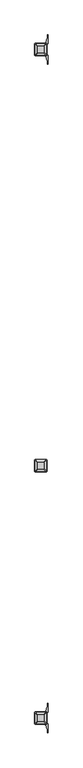
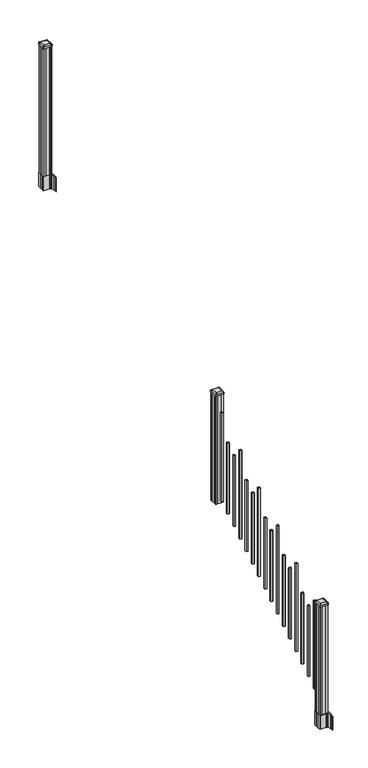
"""IFC4 building model written with IfcOpenShell, lengths in millimetres: railing geometry."""

from ifc_helpers import new_model, si_unit, point, frame, frame_2d, origin, place, context, project, spatial, polyline, circle_curve, trimmed, segment, composite_curve, outline, extrude, source, transform, mapped, element, save
from ifc_brep_helpers import plane_surface, extruded_surface, advanced_brep


def railing_ecae1b8d(model_context):
    return source(origin(), model_context, "Body", "SolidModel", [
        advanced_brep(
        [(8709.4626478, -127566.6027203, 2547.109263), (8712.6376478, -127563.4277203, 2547.109263), (8712.6376478, -127511.8339703, 2547.109263), (8709.4626478, -127508.6589703, 2547.109263), (8657.8688978, -127508.6589703, 2547.109263), (8654.6938978, -127511.8339703, 2547.109263), (8654.6938978, -127563.4277203, 2547.109263), (8657.8688978, -127566.6027203, 2547.109263), (8725.7345228, -127582.8745953, 2535.806263), (8641.5970228, -127582.8745953, 2535.806263), (8638.4220228, -127579.6995953, 2535.806263), (8638.4220228, -127495.5620953, 2535.806263), (8641.5970228, -127492.3870953, 2535.806263), (8725.7345228, -127492.3870953, 2535.806263), (8728.9095228, -127495.5620953, 2535.806263), (8728.9095228, -127579.6995953, 2535.806263)],
        [
            (0, 1, circle_curve(frame((8709.4626478, -127563.4277203, 2547.109263), z_axis=(0.0, 0.0, 1.0), x_axis=(0.0, 1.0, 0.0)), 3.175)),
            (1, 2),
            (2, 3, circle_curve(frame((8709.4626478, -127511.8339703, 2547.109263), z_axis=(0.0, 0.0, 1.0), x_axis=(0.0, 1.0, 0.0)), 3.175)),
            (3, 4),
            (4, 5, circle_curve(frame((8657.8688978, -127511.8339703, 2547.109263), z_axis=(0.0, 0.0, 1.0), x_axis=(0.0, 1.0, 0.0)), 3.175)),
            (5, 6),
            (6, 7, circle_curve(frame((8657.8688978, -127563.4277203, 2547.109263), z_axis=(0.0, 0.0, 1.0), x_axis=(0.0, 1.0, 0.0)), 3.175)),
            (7, 0),
            (8, 9),
            (9, 10, circle_curve(frame((8641.5970228, -127579.6995953, 2535.806263), z_axis=(0.0, 0.0, -1.0), x_axis=(0.0, 1.0, 0.0)), 3.175)),
            (10, 11),
            (11, 12, circle_curve(frame((8641.5970228, -127495.5620953, 2535.806263), z_axis=(0.0, 0.0, -1.0), x_axis=(0.0, 1.0, 0.0)), 3.175)),
            (12, 13),
            (13, 14, circle_curve(frame((8725.7345228, -127495.5620953, 2535.806263), z_axis=(0.0, 0.0, -1.0), x_axis=(0.0, 1.0, 0.0)), 3.175)),
            (14, 15),
            (15, 8, circle_curve(frame((8725.7345228, -127579.6995953, 2535.806263), z_axis=(0.0, 0.0, -1.0), x_axis=(0.0, 1.0, 0.0)), 3.175)),
            (15, 1),
            (0, 8),
            (14, 2),
            (13, 3),
            (12, 4),
            (11, 5),
            (10, 6),
            (9, 7),
        ],
        [
            plane_surface(frame((8683.6657728, -127537.6308453, 2547.109263), z_axis=(0.0, 0.0, 1.0), x_axis=(1.0, 0.0, 0.0))),
            plane_surface(frame((8683.6657728, -127537.6308453, 2535.806263), z_axis=(0.0, 0.0, -1.0), x_axis=(1.0, 0.0, 0.0))),
            extruded_surface(trimmed(circle_curve(frame((8725.7345228, -127579.6995953, 2535.806263), z_axis=(0.0, 0.0, 1.0), x_axis=(0.0, 1.0, 0.0)), 3.175), [point((8725.7345228, -127582.8745953, 2535.806263))], [point((8728.9095228, -127579.6995953, 2535.806263))], True, "CARTESIAN"), (-16.271875000000364, 16.27187500000582, 11.302999999999884), 25.637972638870036),
            plane_surface(frame((8728.9095228, -127537.6308453, 2535.806263), z_axis=(0.5705009161540778, 0.0, 0.8212969649690408), x_axis=(0.0, 1.0, 0.0))),
            extruded_surface(trimmed(circle_curve(frame((8725.7345228, -127495.5620953, 2535.806263), z_axis=(0.0, 0.0, 1.0), x_axis=(0.0, 1.0, 0.0)), 3.175), [point((8728.9095228, -127495.5620953, 2535.806263))], [point((8725.7345228, -127492.3870953, 2535.806263))], True, "CARTESIAN"), (-16.271875000000364, -16.27187499999127, 11.302999999999884), 25.637972638860802),
            plane_surface(frame((8683.6657728, -127492.3870953, 2535.806263), z_axis=(0.0, 0.5705009161540291, 0.8212969649690747), x_axis=(-1.0, 0.0, 0.0))),
            extruded_surface(trimmed(circle_curve(frame((8641.5970228, -127495.5620953, 2535.806263), z_axis=(0.0, 0.0, 1.0), x_axis=(0.0, 1.0, 0.0)), 3.175), [point((8641.5970228, -127492.3870953, 2535.806263))], [point((8638.4220228, -127495.5620953, 2535.806263))], True, "CARTESIAN"), (16.271874999998545, -16.27187499999127, 11.302999999999884), 25.637972638859644),
            plane_surface(frame((8638.4220228, -127537.6308453, 2535.806263), z_axis=(-0.5705009161540142, 0.0, 0.8212969649690851), x_axis=(0.0, -1.0, 0.0))),
            extruded_surface(trimmed(circle_curve(frame((8641.5970228, -127579.6995953, 2535.806263), z_axis=(0.0, 0.0, 1.0), x_axis=(0.0, 1.0, 0.0)), 3.175), [point((8638.4220228, -127579.6995953, 2535.806263))], [point((8641.5970228, -127582.8745953, 2535.806263))], True, "CARTESIAN"), (16.271874999998545, 16.27187500000582, 11.302999999999884), 25.63797263886888),
            plane_surface(frame((8683.6657728, -127582.8745953, 2535.806263), z_axis=(0.0, -0.570500916154034, 0.8212969649690713), x_axis=(1.0, 0.0, 0.0))),
        ],
        [
            (0, [[1, 2, 3, 4, 5, 6, 7, 8]]),
            (1, [[9, 10, 11, 12, 13, 14, 15, 16]]),
            (2, [[-16, 17, -1, 18]]),
            (3, [[-15, 19, -2, -17]]),
            (4, [[-14, 20, -3, -19]]),
            (5, [[-13, 21, -4, -20]]),
            (6, [[-12, 22, -5, -21]]),
            (7, [[-11, 23, -6, -22]]),
            (8, [[-10, 24, -7, -23]]),
            (9, [[-9, -18, -8, -24]]),
        ],
    ),
        extrude(outline(composite_curve([segment(polyline([(8725.7345228, -127582.8745953), (8641.5970228, -127582.8745953)]), True, "CONTINUOUS"), segment(trimmed(circle_curve(frame_2d((8641.5970228, -127579.6995953)), 3.175), [point((8641.5970228, -127582.8745953))], [point((8638.4220228, -127579.6995953))], False, "CARTESIAN"), True, "CONTINUOUS"), segment(polyline([(8638.4220228, -127579.6995953), (8638.4220228, -127495.5620953)]), True, "CONTINUOUS"), segment(trimmed(circle_curve(frame_2d((8641.5970228, -127495.5620953)), 3.175), [point((8638.4220228, -127495.5620953))], [point((8641.5970228, -127492.3870953))], False, "CARTESIAN"), True, "CONTINUOUS"), segment(polyline([(8641.5970228, -127492.3870953), (8725.7345228, -127492.3870953)]), True, "CONTINUOUS"), segment(trimmed(circle_curve(frame_2d((8725.7345228, -127495.5620953)), 3.175), [point((8725.7345228, -127492.3870953))], [point((8728.9095228, -127495.5620953))], False, "CARTESIAN"), True, "CONTINUOUS"), segment(polyline([(8728.9095228, -127495.5620953), (8728.9095228, -127579.6995953)]), True, "CONTINUOUS"), segment(trimmed(circle_curve(frame_2d((8725.7345228, -127579.6995953)), 3.175), [point((8728.9095228, -127579.6995953))], [point((8725.7345228, -127582.8745953))], False, "CARTESIAN"), True, "CONTINUOUS")], self_intersect=False)), frame((0.0, 0.0, 2518.534263), z_axis=(0.0, 0.0, 1.0), x_axis=(1.0, 0.0, 0.0)), (0.0, 0.0, 1.0), 17.272),
        extrude(outline(polyline([(8723.3532728, -127578.9058453), (8703.7317728, -127578.9058453), (8702.9697728, -127577.3183453), (8664.3617728, -127577.3183453), (8663.5997728, -127578.9058453), (8643.9782728, -127578.9058453), (8642.3907728, -127577.3183453), (8642.3907728, -127557.6968453), (8643.9782728, -127556.9348453), (8643.9782728, -127518.3268453), (8642.3907728, -127517.5648453), (8642.3907728, -127497.9433453), (8643.9782728, -127496.3558453), (8663.5997728, -127496.3558453), (8664.3617728, -127497.9433453), (8702.9697728, -127497.9433453), (8703.7317728, -127496.3558453), (8723.3532728, -127496.3558453), (8724.9407728, -127497.9433453), (8724.9407728, -127517.5648453), (8723.3532728, -127518.3268453), (8723.3532728, -127556.9348453), (8724.9407728, -127557.6968453), (8724.9407728, -127577.3183453), (8723.3532728, -127578.9058453)])), frame((0.0, 0.0, 1334.77), z_axis=(0.0, 0.0, 1.0), x_axis=(1.0, 0.0, 0.0)), (0.0, 0.0, 1.0), 1183.764263),
        extrude(outline(polyline([(8674.1407728, -127628.1818453), (8674.1407728, -127609.1318453), (8693.1907728, -127609.1318453), (8693.1907728, -127628.1818453), (8674.1407728, -127628.1818453)]), holes=[polyline([(8674.5376478, -127627.7849703), (8692.7938978, -127627.7849703), (8692.7938978, -127609.5287203), (8674.5376478, -127609.5287203), (8674.5376478, -127627.7849703)])]), frame((0.0, 0.0, 1385.7246281), z_axis=(0.0, 0.0, 1.0), x_axis=(1.0, 0.0, 0.0)), (0.0, 0.0, 1.0), 965.2041219),
        extrude(outline(polyline([(8674.1407728, -127739.4338453), (8674.1407728, -127720.3838453), (8693.1907728, -127720.3838453), (8693.1907728, -127739.4338453), (8674.1407728, -127739.4338453)]), holes=[polyline([(8674.5376478, -127739.0369703), (8692.7938978, -127739.0369703), (8692.7938978, -127720.7807203), (8674.5376478, -127720.7807203), (8674.5376478, -127739.0369703)])]), frame((0.0, 0.0, 1316.1921281), z_axis=(0.0, 0.0, 1.0), x_axis=(1.0, 0.0, 0.0)), (0.0, 0.0, 1.0), 774.7041219),
        extrude(outline(polyline([(8674.1407728, -127850.6858453), (8674.1407728, -127831.6358453), (8693.1907728, -127831.6358453), (8693.1907728, -127850.6858453), (8674.1407728, -127850.6858453)]), holes=[polyline([(8674.5376478, -127850.2889703), (8692.7938978, -127850.2889703), (8692.7938978, -127832.0327203), (8674.5376478, -127832.0327203), (8674.5376478, -127850.2889703)])]), frame((0.0, 0.0, 1246.6596281), z_axis=(0.0, 0.0, 1.0), x_axis=(1.0, 0.0, 0.0)), (0.0, 0.0, 1.0), 774.7041219),
        extrude(outline(polyline([(8674.1407728, -127961.9378453), (8674.1407728, -127942.8878453), (8693.1907728, -127942.8878453), (8693.1907728, -127961.9378453), (8674.1407728, -127961.9378453)]), holes=[polyline([(8674.5376478, -127961.5409703), (8692.7938978, -127961.5409703), (8692.7938978, -127943.2847203), (8674.5376478, -127943.2847203), (8674.5376478, -127961.5409703)])]), frame((0.0, 0.0, 1177.1271281), z_axis=(0.0, 0.0, 1.0), x_axis=(1.0, 0.0, 0.0)), (0.0, 0.0, 1.0), 965.2041219),
        extrude(outline(polyline([(8674.1407728, -128073.1898453), (8674.1407728, -128054.1398453), (8693.1907728, -128054.1398453), (8693.1907728, -128073.1898453), (8674.1407728, -128073.1898453)]), holes=[polyline([(8674.5376478, -128072.7929703), (8692.7938978, -128072.7929703), (8692.7938978, -128054.5367203), (8674.5376478, -128054.5367203), (8674.5376478, -128072.7929703)])]), frame((0.0, 0.0, 1107.5946281), z_axis=(0.0, 0.0, 1.0), x_axis=(1.0, 0.0, 0.0)), (0.0, 0.0, 1.0), 774.7041219),
        extrude(outline(polyline([(8674.1407728, -128184.4418453), (8674.1407728, -128165.3918453), (8693.1907728, -128165.3918453), (8693.1907728, -128184.4418453), (8674.1407728, -128184.4418453)]), holes=[polyline([(8674.5376478, -128184.0449703), (8692.7938978, -128184.0449703), (8692.7938978, -128165.7887203), (8674.5376478, -128165.7887203), (8674.5376478, -128184.0449703)])]), frame((0.0, 0.0, 1038.0621281), z_axis=(0.0, 0.0, 1.0), x_axis=(1.0, 0.0, 0.0)), (0.0, 0.0, 1.0), 774.7041219),
        extrude(outline(polyline([(8674.1407728, -128295.6938453), (8674.1407728, -128276.6438453), (8693.1907728, -128276.6438453), (8693.1907728, -128295.6938453), (8674.1407728, -128295.6938453)]), holes=[polyline([(8674.5376478, -128295.2969703), (8692.7938978, -128295.2969703), (8692.7938978, -128277.0407203), (8674.5376478, -128277.0407203), (8674.5376478, -128295.2969703)])]), frame((0.0, 0.0, 968.5296281), z_axis=(0.0, 0.0, 1.0), x_axis=(1.0, 0.0, 0.0)), (0.0, 0.0, 1.0), 965.2041219),
        extrude(outline(polyline([(8674.1407728, -128406.9458453), (8674.1407728, -128387.8958453), (8693.1907728, -128387.8958453), (8693.1907728, -128406.9458453), (8674.1407728, -128406.9458453)]), holes=[polyline([(8674.5376478, -128406.5489703), (8692.7938978, -128406.5489703), (8692.7938978, -128388.2927203), (8674.5376478, -128388.2927203), (8674.5376478, -128406.5489703)])]), frame((0.0, 0.0, 898.9971281), z_axis=(0.0, 0.0, 1.0), x_axis=(1.0, 0.0, 0.0)), (0.0, 0.0, 1.0), 774.7041219),
        extrude(outline(polyline([(8674.1407728, -128518.1978453), (8674.1407728, -128499.1478453), (8693.1907728, -128499.1478453), (8693.1907728, -128518.1978453), (8674.1407728, -128518.1978453)]), holes=[polyline([(8674.5376478, -128517.8009703), (8692.7938978, -128517.8009703), (8692.7938978, -128499.5447203), (8674.5376478, -128499.5447203), (8674.5376478, -128517.8009703)])]), frame((0.0, 0.0, 829.4646281), z_axis=(0.0, 0.0, 1.0), x_axis=(1.0, 0.0, 0.0)), (0.0, 0.0, 1.0), 774.7041219),
        extrude(outline(polyline([(8674.1407728, -128629.4498453), (8674.1407728, -128610.3998453), (8693.1907728, -128610.3998453), (8693.1907728, -128629.4498453), (8674.1407728, -128629.4498453)]), holes=[polyline([(8674.5376478, -128629.0529703), (8692.7938978, -128629.0529703), (8692.7938978, -128610.7967203), (8674.5376478, -128610.7967203), (8674.5376478, -128629.0529703)])]), frame((0.0, 0.0, 759.9321281), z_axis=(0.0, 0.0, 1.0), x_axis=(1.0, 0.0, 0.0)), (0.0, 0.0, 1.0), 965.2041219),
        extrude(outline(polyline([(8674.1407728, -128740.7018453), (8674.1407728, -128721.6518453), (8693.1907728, -128721.6518453), (8693.1907728, -128740.7018453), (8674.1407728, -128740.7018453)]), holes=[polyline([(8674.5376478, -128740.3049703), (8692.7938978, -128740.3049703), (8692.7938978, -128722.0487203), (8674.5376478, -128722.0487203), (8674.5376478, -128740.3049703)])]), frame((0.0, 0.0, 690.3996281), z_axis=(0.0, 0.0, 1.0), x_axis=(1.0, 0.0, 0.0)), (0.0, 0.0, 1.0), 774.7041219),
        extrude(outline(polyline([(8674.1407728, -128851.9538453), (8674.1407728, -128832.9038453), (8693.1907728, -128832.9038453), (8693.1907728, -128851.9538453), (8674.1407728, -128851.9538453)]), holes=[polyline([(8674.5376478, -128851.5569703), (8692.7938978, -128851.5569703), (8692.7938978, -128833.3007203), (8674.5376478, -128833.3007203), (8674.5376478, -128851.5569703)])]), frame((0.0, 0.0, 620.8671281), z_axis=(0.0, 0.0, 1.0), x_axis=(1.0, 0.0, 0.0)), (0.0, 0.0, 1.0), 774.7041219),
        extrude(outline(polyline([(8674.1407728, -128963.2058453), (8674.1407728, -128944.1558453), (8693.1907728, -128944.1558453), (8693.1907728, -128963.2058453), (8674.1407728, -128963.2058453)]), holes=[polyline([(8674.5376478, -128962.8089703), (8692.7938978, -128962.8089703), (8692.7938978, -128944.5527203), (8674.5376478, -128944.5527203), (8674.5376478, -128962.8089703)])]), frame((0.0, 0.0, 551.3346281), z_axis=(0.0, 0.0, 1.0), x_axis=(1.0, 0.0, 0.0)), (0.0, 0.0, 1.0), 965.2041219),
        extrude(outline(polyline([(8674.1407728, -129074.4578453), (8674.1407728, -129055.4078453), (8693.1907728, -129055.4078453), (8693.1907728, -129074.4578453), (8674.1407728, -129074.4578453)]), holes=[polyline([(8674.5376478, -129074.0609703), (8692.7938978, -129074.0609703), (8692.7938978, -129055.8047203), (8674.5376478, -129055.8047203), (8674.5376478, -129074.0609703)])]), frame((0.0, 0.0, 481.8021281), z_axis=(0.0, 0.0, 1.0), x_axis=(1.0, 0.0, 0.0)), (0.0, 0.0, 1.0), 774.7041219),
        extrude(outline(polyline([(8674.1407728, -129185.7098453), (8674.1407728, -129166.6598453), (8693.1907728, -129166.6598453), (8693.1907728, -129185.7098453), (8674.1407728, -129185.7098453)]), holes=[polyline([(8674.5376478, -129185.3129703), (8692.7938978, -129185.3129703), (8692.7938978, -129167.0567203), (8674.5376478, -129167.0567203), (8674.5376478, -129185.3129703)])]), frame((0.0, 0.0, 412.2696281), z_axis=(0.0, 0.0, 1.0), x_axis=(1.0, 0.0, 0.0)), (0.0, 0.0, 1.0), 774.7041219),
        extrude(outline(polyline([(8674.1407728, -129296.9618453), (8674.1407728, -129277.9118453), (8693.1907728, -129277.9118453), (8693.1907728, -129296.9618453), (8674.1407728, -129296.9618453)]), holes=[polyline([(8674.5376478, -129296.5649703), (8692.7938978, -129296.5649703), (8692.7938978, -129278.3087203), (8674.5376478, -129278.3087203), (8674.5376478, -129296.5649703)])]), frame((0.0, 0.0, 342.7371281), z_axis=(0.0, 0.0, 1.0), x_axis=(1.0, 0.0, 0.0)), (0.0, 0.0, 1.0), 965.2041219),
        extrude(outline(polyline([(8723.3532728, -124491.5358453), (8703.7317728, -124491.5358453), (8702.9697728, -124489.9483453), (8664.3617728, -124489.9483453), (8663.5997728, -124491.5358453), (8643.9782728, -124491.5358453), (8642.3907728, -124489.9483453), (8642.3907728, -124470.3268453), (8643.9782728, -124469.5648453), (8643.9782728, -124430.9568453), (8642.3907728, -124430.1948453), (8642.3907728, -124410.5733453), (8643.9782728, -124408.9858453), (8663.5997728, -124408.9858453), (8664.3617728, -124410.5733453), (8702.9697728, -124410.5733453), (8703.7317728, -124408.9858453), (8723.3532728, -124408.9858453), (8724.9407728, -124410.5733453), (8724.9407728, -124430.1948453), (8723.3532728, -124430.9568453), (8723.3532728, -124469.5648453), (8724.9407728, -124470.3268453), (8724.9407728, -124489.9483453), (8723.3532728, -124491.5358453)])), frame((0.0, 0.0, 3048.0), z_axis=(0.0, 0.0, 1.0), x_axis=(1.0, 0.0, 0.0)), (0.0, 0.0, 1.0), 1400.140513),
        extrude(outline(composite_curve([segment(polyline([(8640.9302728, -124467.6469401), (8640.9302728, -124432.8747504), (8639.3427728, -124432.1127504), (8639.3427728, -124409.3108224), (8642.7157498, -124405.9378453), (8704.1754206, -124405.9378453), (8704.1754206, -124405.0170953), (8709.4929645, -124405.0170953), (8709.4929645, -124403.5628406), (8714.5774942, -124403.5628406), (8714.5774942, -124402.2788168), (8716.2447665, -124402.2788168)]), True, "CONTINUOUS"), segment(trimmed(circle_curve(frame_2d((8716.2447665, -124395.2193569)), 7.0594599), [point((8716.2447665, -124402.2788168))], [point((8723.0120293, -124397.2293636))], True, "CARTESIAN"), True, "CONTINUOUS"), segment(polyline([(8723.0120293, -124397.2293636), (8730.8862236, -124370.7186345)]), True, "CONTINUOUS"), segment(trimmed(circle_curve(frame_2d((8676.1017103, -124354.4465848)), 57.15), [point((8730.8862236, -124370.7186345))], [point((8733.2517103, -124354.4465848))], True, "CARTESIAN"), True, "CONTINUOUS"), segment(polyline([(8733.2517103, -124354.4465848), (8733.2517103, -124342.4378453), (8736.2517103, -124342.4378453), (8736.2517103, -124407.5253453), (8727.9887728, -124418.8636366), (8727.9887728, -124432.1127504), (8726.4012728, -124432.8747504), (8726.4012728, -124467.6469401), (8727.9887728, -124468.4089401), (8727.9887728, -124481.658054), (8736.2517103, -124492.9963453), (8736.2517103, -124558.0838453), (8733.2517103, -124558.0838453), (8733.2517103, -124546.0751057)]), True, "CONTINUOUS"), segment(trimmed(circle_curve(frame_2d((8676.1017103, -124546.0751057)), 57.15), [point((8733.2517103, -124546.0751057))], [point((8730.8862236, -124529.8030561))], True, "CARTESIAN"), True, "CONTINUOUS"), segment(polyline([(8730.8862236, -124529.8030561), (8723.0120293, -124503.292327)]), True, "CONTINUOUS"), segment(trimmed(circle_curve(frame_2d((8716.2447665, -124505.3023337)), 7.0594599), [point((8723.0120293, -124503.292327))], [point((8716.2447665, -124498.2428738))], True, "CARTESIAN"), True, "CONTINUOUS"), segment(polyline([(8716.2447665, -124498.2428738), (8714.5774942, -124498.2428738), (8714.5774942, -124496.95885), (8709.4929645, -124496.95885), (8709.4929645, -124495.5045953), (8704.1754206, -124495.5045953), (8704.1754206, -124494.5838453), (8642.7157498, -124494.5838453), (8639.3427728, -124491.2108682), (8639.3427728, -124468.4089401), (8640.9302728, -124467.6469401)]), True, "CONTINUOUS")], self_intersect=False), holes=[polyline([(8724.9407728, -124410.5733453), (8723.3532728, -124408.9858453), (8686.4289902, -124408.9858453), (8643.9782728, -124408.9858453), (8642.3907728, -124410.5733453), (8642.3907728, -124489.9483453), (8643.9782728, -124491.5358453), (8686.4289902, -124491.5358453), (8723.3532728, -124491.5358453), (8724.9407728, -124489.9483453), (8724.9407728, -124410.5733453)])]), frame((0.0, 0.0, 2895.6), z_axis=(0.0, 0.0, 1.0), x_axis=(1.0, 0.0, 0.0)), (0.0, 0.0, 1.0), 152.4),
        advanced_brep(
        [(8709.4626478, -124479.2327203, 4476.715513), (8712.6376478, -124476.0577203, 4476.715513), (8712.6376478, -124424.4639703, 4476.715513), (8709.4626478, -124421.2889703, 4476.715513), (8657.8688978, -124421.2889703, 4476.715513), (8654.6938978, -124424.4639703, 4476.715513), (8654.6938978, -124476.0577203, 4476.715513), (8657.8688978, -124479.2327203, 4476.715513), (8725.7345228, -124495.5045953, 4465.412513), (8641.5970228, -124495.5045953, 4465.412513), (8638.4220228, -124492.3295953, 4465.412513), (8638.4220228, -124408.1920953, 4465.412513), (8641.5970228, -124405.0170953, 4465.412513), (8725.7345228, -124405.0170953, 4465.412513), (8728.9095228, -124408.1920953, 4465.412513), (8728.9095228, -124492.3295953, 4465.412513)],
        [
            (0, 1, circle_curve(frame((8709.4626478, -124476.0577203, 4476.715513), z_axis=(0.0, 0.0, 1.0), x_axis=(0.0, 1.0, 0.0)), 3.175)),
            (1, 2),
            (2, 3, circle_curve(frame((8709.4626478, -124424.4639703, 4476.715513), z_axis=(0.0, 0.0, 1.0), x_axis=(0.0, 1.0, 0.0)), 3.175)),
            (3, 4),
            (4, 5, circle_curve(frame((8657.8688978, -124424.4639703, 4476.715513), z_axis=(0.0, 0.0, 1.0), x_axis=(0.0, 1.0, 0.0)), 3.175)),
            (5, 6),
            (6, 7, circle_curve(frame((8657.8688978, -124476.0577203, 4476.715513), z_axis=(0.0, 0.0, 1.0), x_axis=(0.0, 1.0, 0.0)), 3.175)),
            (7, 0),
            (8, 9),
            (9, 10, circle_curve(frame((8641.5970228, -124492.3295953, 4465.412513), z_axis=(0.0, 0.0, -1.0), x_axis=(0.0, 1.0, 0.0)), 3.175)),
            (10, 11),
            (11, 12, circle_curve(frame((8641.5970228, -124408.1920953, 4465.412513), z_axis=(0.0, 0.0, -1.0), x_axis=(0.0, 1.0, 0.0)), 3.175)),
            (12, 13),
            (13, 14, circle_curve(frame((8725.7345228, -124408.1920953, 4465.412513), z_axis=(0.0, 0.0, -1.0), x_axis=(0.0, 1.0, 0.0)), 3.175)),
            (14, 15),
            (15, 8, circle_curve(frame((8725.7345228, -124492.3295953, 4465.412513), z_axis=(0.0, 0.0, -1.0), x_axis=(0.0, 1.0, 0.0)), 3.175)),
            (15, 1),
            (0, 8),
            (14, 2),
            (13, 3),
            (12, 4),
            (11, 5),
            (10, 6),
            (9, 7),
        ],
        [
            plane_surface(frame((8683.6657728, -124450.2608453, 4476.715513), z_axis=(0.0, 0.0, 1.0), x_axis=(1.0, 0.0, 0.0))),
            plane_surface(frame((8683.6657728, -124450.2608453, 4465.412513), z_axis=(0.0, 0.0, -1.0), x_axis=(1.0, 0.0, 0.0))),
            extruded_surface(trimmed(circle_curve(frame((8725.7345228, -124492.3295953, 4465.412513), z_axis=(0.0, 0.0, 1.0), x_axis=(0.0, 1.0, 0.0)), 3.175), [point((8725.7345228, -124495.5045953, 4465.412513))], [point((8728.9095228, -124492.3295953, 4465.412513))], True, "CARTESIAN"), (-16.271875000000364, 16.27187500000582, 11.302999999999884), 25.637972638870036),
            plane_surface(frame((8728.9095228, -124450.2608453, 4465.412513), z_axis=(0.5705009161540685, 0.0, 0.8212969649690474), x_axis=(0.0, 1.0, 0.0))),
            extruded_surface(trimmed(circle_curve(frame((8725.7345228, -124408.1920953, 4465.412513), z_axis=(0.0, 0.0, 1.0), x_axis=(0.0, 1.0, 0.0)), 3.175), [point((8728.9095228, -124408.1920953, 4465.412513))], [point((8725.7345228, -124405.0170953, 4465.412513))], True, "CARTESIAN"), (-16.271875000000364, -16.27187500000582, 11.302999999999884), 25.637972638870036),
            plane_surface(frame((8683.6657728, -124405.0170953, 4465.412513), z_axis=(0.0, 0.5705009161540291, 0.8212969649690747), x_axis=(-1.0, 0.0, 0.0))),
            extruded_surface(trimmed(circle_curve(frame((8641.5970228, -124408.1920953, 4465.412513), z_axis=(0.0, 0.0, 1.0), x_axis=(0.0, 1.0, 0.0)), 3.175), [point((8641.5970228, -124405.0170953, 4465.412513))], [point((8638.4220228, -124408.1920953, 4465.412513))], True, "CARTESIAN"), (16.271874999998545, -16.27187500000582, 11.302999999999884), 25.63797263886888),
            plane_surface(frame((8638.4220228, -124450.2608453, 4465.412513), z_axis=(-0.5705009161540235, 0.0, 0.8212969649690786), x_axis=(0.0, -1.0, 0.0))),
            extruded_surface(trimmed(circle_curve(frame((8641.5970228, -124492.3295953, 4465.412513), z_axis=(0.0, 0.0, 1.0), x_axis=(0.0, 1.0, 0.0)), 3.175), [point((8638.4220228, -124492.3295953, 4465.412513))], [point((8641.5970228, -124495.5045953, 4465.412513))], True, "CARTESIAN"), (16.271874999998545, 16.27187500000582, 11.302999999999884), 25.63797263886888),
            plane_surface(frame((8683.6657728, -124495.5045953, 4465.412513), z_axis=(0.0, -0.570500916154034, 0.8212969649690713), x_axis=(1.0, 0.0, 0.0))),
        ],
        [
            (0, [[1, 2, 3, 4, 5, 6, 7, 8]]),
            (1, [[9, 10, 11, 12, 13, 14, 15, 16]]),
            (2, [[-16, 17, -1, 18]]),
            (3, [[-15, 19, -2, -17]]),
            (4, [[-14, 20, -3, -19]]),
            (5, [[-13, 21, -4, -20]]),
            (6, [[-12, 22, -5, -21]]),
            (7, [[-11, 23, -6, -22]]),
            (8, [[-10, 24, -7, -23]]),
            (9, [[-9, -18, -8, -24]]),
        ],
    ),
        extrude(outline(composite_curve([segment(polyline([(8725.7345228, -124495.5045953), (8641.5970228, -124495.5045953)]), True, "CONTINUOUS"), segment(trimmed(circle_curve(frame_2d((8641.5970228, -124492.3295953)), 3.175), [point((8641.5970228, -124495.5045953))], [point((8638.4220228, -124492.3295953))], False, "CARTESIAN"), True, "CONTINUOUS"), segment(polyline([(8638.4220228, -124492.3295953), (8638.4220228, -124408.1920953)]), True, "CONTINUOUS"), segment(trimmed(circle_curve(frame_2d((8641.5970228, -124408.1920953)), 3.175), [point((8638.4220228, -124408.1920953))], [point((8641.5970228, -124405.0170953))], False, "CARTESIAN"), True, "CONTINUOUS"), segment(polyline([(8641.5970228, -124405.0170953), (8725.7345228, -124405.0170953)]), True, "CONTINUOUS"), segment(trimmed(circle_curve(frame_2d((8725.7345228, -124408.1920953)), 3.175), [point((8725.7345228, -124405.0170953))], [point((8728.9095228, -124408.1920953))], False, "CARTESIAN"), True, "CONTINUOUS"), segment(polyline([(8728.9095228, -124408.1920953), (8728.9095228, -124492.3295953)]), True, "CONTINUOUS"), segment(trimmed(circle_curve(frame_2d((8725.7345228, -124492.3295953)), 3.175), [point((8728.9095228, -124492.3295953))], [point((8725.7345228, -124495.5045953))], False, "CARTESIAN"), True, "CONTINUOUS")], self_intersect=False)), frame((0.0, 0.0, 4448.140513), z_axis=(0.0, 0.0, 1.0), x_axis=(1.0, 0.0, 0.0)), (0.0, 0.0, 1.0), 17.272),
        extrude(outline(composite_curve([segment(polyline([(8640.9302728, -129427.2509401), (8640.9302728, -129392.4787504), (8639.3427728, -129391.7167504), (8639.3427728, -129368.9148224), (8642.7157498, -129365.5418453), (8704.1754206, -129365.5418453), (8704.1754206, -129364.6210953), (8709.4929645, -129364.6210953), (8709.4929645, -129363.1668406), (8714.5774942, -129363.1668406), (8714.5774942, -129361.8828168), (8716.2447665, -129361.8828168)]), True, "CONTINUOUS"), segment(trimmed(circle_curve(frame_2d((8716.2447665, -129354.8233569)), 7.0594599), [point((8716.2447665, -129361.8828168))], [point((8723.0120293, -129356.8333636))], True, "CARTESIAN"), True, "CONTINUOUS"), segment(polyline([(8723.0120293, -129356.8333636), (8730.8862236, -129330.3226345)]), True, "CONTINUOUS"), segment(trimmed(circle_curve(frame_2d((8676.1017103, -129314.0505848)), 57.15), [point((8730.8862236, -129330.3226345))], [point((8733.2517103, -129314.0505848))], True, "CARTESIAN"), True, "CONTINUOUS"), segment(polyline([(8733.2517103, -129314.0505848), (8733.2517103, -129302.0418453), (8736.2517103, -129302.0418453), (8736.2517103, -129367.1293453), (8727.9887728, -129378.4676366), (8727.9887728, -129391.7167504), (8726.4012728, -129392.4787504), (8726.4012728, -129427.2509401), (8727.9887728, -129428.0129401), (8727.9887728, -129441.262054), (8736.2517103, -129452.6003453), (8736.2517103, -129517.6878453), (8733.2517103, -129517.6878453), (8733.2517103, -129505.6791057)]), True, "CONTINUOUS"), segment(trimmed(circle_curve(frame_2d((8676.1017103, -129505.6791057)), 57.15), [point((8733.2517103, -129505.6791057))], [point((8730.8862236, -129489.4070561))], True, "CARTESIAN"), True, "CONTINUOUS"), segment(polyline([(8730.8862236, -129489.4070561), (8723.0120293, -129462.896327)]), True, "CONTINUOUS"), segment(trimmed(circle_curve(frame_2d((8716.2447665, -129464.9063337)), 7.0594599), [point((8723.0120293, -129462.896327))], [point((8716.2447665, -129457.8468738))], True, "CARTESIAN"), True, "CONTINUOUS"), segment(polyline([(8716.2447665, -129457.8468738), (8714.5774942, -129457.8468738), (8714.5774942, -129456.56285), (8709.4929645, -129456.56285), (8709.4929645, -129455.1085953), (8704.1754206, -129455.1085953), (8704.1754206, -129454.1878453), (8642.7157498, -129454.1878453), (8639.3427728, -129450.8148682), (8639.3427728, -129428.0129401), (8640.9302728, -129427.2509401)]), True, "CONTINUOUS")], self_intersect=False), holes=[polyline([(8724.9407728, -129370.1773453), (8723.3532728, -129368.5898453), (8686.4289902, -129368.5898453), (8643.9782728, -129368.5898453), (8642.3907728, -129370.1773453), (8642.3907728, -129449.5523453), (8643.9782728, -129451.1398453), (8686.4289902, -129451.1398453), (8723.3532728, -129451.1398453), (8724.9407728, -129449.5523453), (8724.9407728, -129370.1773453)])]), frame((0.0, 0.0, 12.22375), z_axis=(0.0, 0.0, 1.0), x_axis=(1.0, 0.0, 0.0)), (0.0, 0.0, 1.0), 152.4),
        advanced_brep(
        [(8709.4626478, -129438.8367203, 1376.963013), (8712.6376478, -129435.6617203, 1376.963013), (8712.6376478, -129384.0679703, 1376.963013), (8709.4626478, -129380.8929703, 1376.963013), (8657.8688978, -129380.8929703, 1376.963013), (8654.6938978, -129384.0679703, 1376.963013), (8654.6938978, -129435.6617203, 1376.963013), (8657.8688978, -129438.8367203, 1376.963013), (8725.7345228, -129455.1085953, 1365.660013), (8641.5970228, -129455.1085953, 1365.660013), (8638.4220228, -129451.9335953, 1365.660013), (8638.4220228, -129367.7960953, 1365.660013), (8641.5970228, -129364.6210953, 1365.660013), (8725.7345228, -129364.6210953, 1365.660013), (8728.9095228, -129367.7960953, 1365.660013), (8728.9095228, -129451.9335953, 1365.660013)],
        [
            (0, 1, circle_curve(frame((8709.4626478, -129435.6617203, 1376.963013), z_axis=(0.0, 0.0, 1.0), x_axis=(0.0, 1.0, 0.0)), 3.175)),
            (1, 2),
            (2, 3, circle_curve(frame((8709.4626478, -129384.0679703, 1376.963013), z_axis=(0.0, 0.0, 1.0), x_axis=(0.0, 1.0, 0.0)), 3.175)),
            (3, 4),
            (4, 5, circle_curve(frame((8657.8688978, -129384.0679703, 1376.963013), z_axis=(0.0, 0.0, 1.0), x_axis=(0.0, 1.0, 0.0)), 3.175)),
            (5, 6),
            (6, 7, circle_curve(frame((8657.8688978, -129435.6617203, 1376.963013), z_axis=(0.0, 0.0, 1.0), x_axis=(0.0, 1.0, 0.0)), 3.175)),
            (7, 0),
            (8, 9),
            (9, 10, circle_curve(frame((8641.5970228, -129451.9335953, 1365.660013), z_axis=(0.0, 0.0, -1.0), x_axis=(0.0, 1.0, 0.0)), 3.175)),
            (10, 11),
            (11, 12, circle_curve(frame((8641.5970228, -129367.7960953, 1365.660013), z_axis=(0.0, 0.0, -1.0), x_axis=(0.0, 1.0, 0.0)), 3.175)),
            (12, 13),
            (13, 14, circle_curve(frame((8725.7345228, -129367.7960953, 1365.660013), z_axis=(0.0, 0.0, -1.0), x_axis=(0.0, 1.0, 0.0)), 3.175)),
            (14, 15),
            (15, 8, circle_curve(frame((8725.7345228, -129451.9335953, 1365.660013), z_axis=(0.0, 0.0, -1.0), x_axis=(0.0, 1.0, 0.0)), 3.175)),
            (15, 1),
            (0, 8),
            (14, 2),
            (13, 3),
            (12, 4),
            (11, 5),
            (10, 6),
            (9, 7),
        ],
        [
            plane_surface(frame((8683.6657728, -129409.8648453, 1376.963013), z_axis=(0.0, 0.0, 1.0), x_axis=(1.0, 0.0, 0.0))),
            plane_surface(frame((8683.6657728, -129409.8648453, 1365.660013), z_axis=(0.0, 0.0, -1.0), x_axis=(1.0, 0.0, 0.0))),
            extruded_surface(trimmed(circle_curve(frame((8725.7345228, -129451.9335953, 1365.660013), z_axis=(0.0, 0.0, 1.0), x_axis=(0.0, 1.0, 0.0)), 3.175), [point((8725.7345228, -129455.1085953, 1365.660013))], [point((8728.9095228, -129451.9335953, 1365.660013))], True, "CARTESIAN"), (-16.271875000000364, 16.27187499999127, 11.303000000000111), 25.6379726388609),
            plane_surface(frame((8728.9095228, -129409.8648453, 1365.660013), z_axis=(0.5705009161540778, 0.0, 0.8212969649690408), x_axis=(0.0, 1.0, 0.0))),
            extruded_surface(trimmed(circle_curve(frame((8725.7345228, -129367.7960953, 1365.660013), z_axis=(0.0, 0.0, 1.0), x_axis=(0.0, 1.0, 0.0)), 3.175), [point((8728.9095228, -129367.7960953, 1365.660013))], [point((8725.7345228, -129364.6210953, 1365.660013))], True, "CARTESIAN"), (-16.271875000000364, -16.27187500000582, 11.303000000000111), 25.63797263887014),
            plane_surface(frame((8683.6657728, -129364.6210953, 1365.660013), z_axis=(0.0, 0.5705009161540291, 0.8212969649690747), x_axis=(-1.0, 0.0, 0.0))),
            extruded_surface(trimmed(circle_curve(frame((8641.5970228, -129367.7960953, 1365.660013), z_axis=(0.0, 0.0, 1.0), x_axis=(0.0, 1.0, 0.0)), 3.175), [point((8641.5970228, -129364.6210953, 1365.660013))], [point((8638.4220228, -129367.7960953, 1365.660013))], True, "CARTESIAN"), (16.271874999998545, -16.27187500000582, 11.303000000000111), 25.63797263886898),
            plane_surface(frame((8638.4220228, -129409.8648453, 1365.660013), z_axis=(-0.5705009161540142, 0.0, 0.8212969649690851), x_axis=(0.0, -1.0, 0.0))),
            extruded_surface(trimmed(circle_curve(frame((8641.5970228, -129451.9335953, 1365.660013), z_axis=(0.0, 0.0, 1.0), x_axis=(0.0, 1.0, 0.0)), 3.175), [point((8638.4220228, -129451.9335953, 1365.660013))], [point((8641.5970228, -129455.1085953, 1365.660013))], True, "CARTESIAN"), (16.271874999998545, 16.27187499999127, 11.303000000000111), 25.637972638859747),
            plane_surface(frame((8683.6657728, -129455.1085953, 1365.660013), z_axis=(0.0, -0.570500916154034, 0.8212969649690713), x_axis=(1.0, 0.0, 0.0))),
        ],
        [
            (0, [[1, 2, 3, 4, 5, 6, 7, 8]]),
            (1, [[9, 10, 11, 12, 13, 14, 15, 16]]),
            (2, [[-16, 17, -1, 18]]),
            (3, [[-15, 19, -2, -17]]),
            (4, [[-14, 20, -3, -19]]),
            (5, [[-13, 21, -4, -20]]),
            (6, [[-12, 22, -5, -21]]),
            (7, [[-11, 23, -6, -22]]),
            (8, [[-10, 24, -7, -23]]),
            (9, [[-9, -18, -8, -24]]),
        ],
    ),
        extrude(outline(composite_curve([segment(polyline([(8725.7345228, -129455.1085953), (8641.5970228, -129455.1085953)]), True, "CONTINUOUS"), segment(trimmed(circle_curve(frame_2d((8641.5970228, -129451.9335953)), 3.175), [point((8641.5970228, -129455.1085953))], [point((8638.4220228, -129451.9335953))], False, "CARTESIAN"), True, "CONTINUOUS"), segment(polyline([(8638.4220228, -129451.9335953), (8638.4220228, -129367.7960953)]), True, "CONTINUOUS"), segment(trimmed(circle_curve(frame_2d((8641.5970228, -129367.7960953)), 3.175), [point((8638.4220228, -129367.7960953))], [point((8641.5970228, -129364.6210953))], False, "CARTESIAN"), True, "CONTINUOUS"), segment(polyline([(8641.5970228, -129364.6210953), (8725.7345228, -129364.6210953)]), True, "CONTINUOUS"), segment(trimmed(circle_curve(frame_2d((8725.7345228, -129367.7960953)), 3.175), [point((8725.7345228, -129364.6210953))], [point((8728.9095228, -129367.7960953))], False, "CARTESIAN"), True, "CONTINUOUS"), segment(polyline([(8728.9095228, -129367.7960953), (8728.9095228, -129451.9335953)]), True, "CONTINUOUS"), segment(trimmed(circle_curve(frame_2d((8725.7345228, -129451.9335953)), 3.175), [point((8728.9095228, -129451.9335953))], [point((8725.7345228, -129455.1085953))], False, "CARTESIAN"), True, "CONTINUOUS")], self_intersect=False)), frame((0.0, 0.0, 1348.388013), z_axis=(0.0, 0.0, 1.0), x_axis=(1.0, 0.0, 0.0)), (0.0, 0.0, 1.0), 17.272),
        extrude(outline(polyline([(8723.3532728, -129451.1398453), (8703.7317728, -129451.1398453), (8702.9697728, -129449.5523453), (8664.3617728, -129449.5523453), (8663.5997728, -129451.1398453), (8643.9782728, -129451.1398453), (8642.3907728, -129449.5523453), (8642.3907728, -129429.9308453), (8643.9782728, -129429.1688453), (8643.9782728, -129390.5608453), (8642.3907728, -129389.7988453), (8642.3907728, -129370.1773453), (8643.9782728, -129368.5898453), (8663.5997728, -129368.5898453), (8664.3617728, -129370.1773453), (8702.9697728, -129370.1773453), (8703.7317728, -129368.5898453), (8723.3532728, -129368.5898453), (8724.9407728, -129370.1773453), (8724.9407728, -129389.7988453), (8723.3532728, -129390.5608453), (8723.3532728, -129429.1688453), (8724.9407728, -129429.9308453), (8724.9407728, -129449.5523453), (8723.3532728, -129451.1398453)])), frame((0.0, 0.0, 164.62375), z_axis=(0.0, 0.0, 1.0), x_axis=(1.0, 0.0, 0.0)), (0.0, 0.0, 1.0), 1183.764263),
    ])


if __name__ == "__main__":
    model = new_model("IFC4")
    model_context = context("Model", 3, world=origin())
    ifc_project = project(units=[si_unit("LENGTHUNIT", "METRE", prefix="MILLI")], contexts=[model_context])
    site = spatial("IfcSite", under=ifc_project)
    building = spatial("IfcBuilding", under=site)
    placement = place(None, origin())
    railing_shape = railing_ecae1b8d(model_context)
    element("IfcRailing", 1, at=placement, inside=building, context=model_context, shape_type="MappedRepresentation", body=[
        mapped(railing_shape, transform((0.0, 0.0, 0.0), x_axis=(1.0, 0.0, 0.0), y_axis=(0.0, 1.0, 0.0), z_axis=(0.0, 0.0, 1.0))),
    ])
    save(model, "model.ifc")
